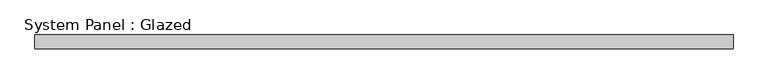
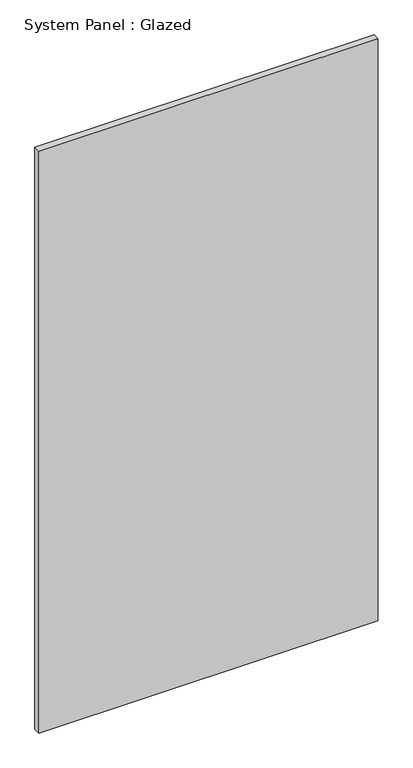
"""IFC4 building model written with IfcOpenShell, lengths in millimetres: plate geometry, System Panel : Glazed."""

from ifc_helpers import new_model, si_unit, origin, origin_with_axes, place, context, project, spatial, polyline, outline, extrude, source, transform, mapped, element, save


def system_panel_glazed_90df980c(model_context):
    return source(origin(), model_context, "Body", "SweptSolid", [
        extrude(outline(polyline([(645.7083333, -44.45), (-645.7083333, -44.45), (-645.7083333, -19.05), (645.7083333, -19.05), (645.7083333, -44.45)])), origin_with_axes(), (0.0, 0.0, 1.0), 2343.15),
    ])


if __name__ == "__main__":
    model = new_model("IFC4")
    model_context = context("Model", 3, world=origin())
    ifc_project = project(units=[si_unit("LENGTHUNIT", "METRE", prefix="MILLI")], contexts=[model_context])
    site = spatial("IfcSite", under=ifc_project)
    building = spatial("IfcBuilding", under=site)
    placement = place(None, origin())
    system_panel_glazed_shape = system_panel_glazed_90df980c(model_context)
    element("IfcPlate", 1, ObjectType="System Panel : Glazed", at=placement, inside=building, context=model_context, shape_type="MappedRepresentation", body=[
        mapped(system_panel_glazed_shape, transform((0.0, 0.0, 0.0), x_axis=(1.0, 0.0, 0.0), y_axis=(0.0, 1.0, 0.0), z_axis=(0.0, 0.0, 1.0))),
    ])
    save(model, "model.ifc")
